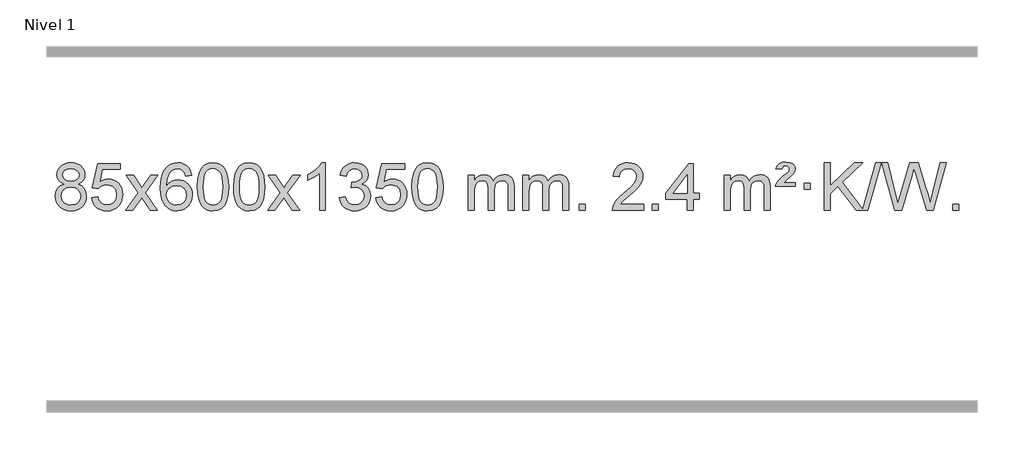
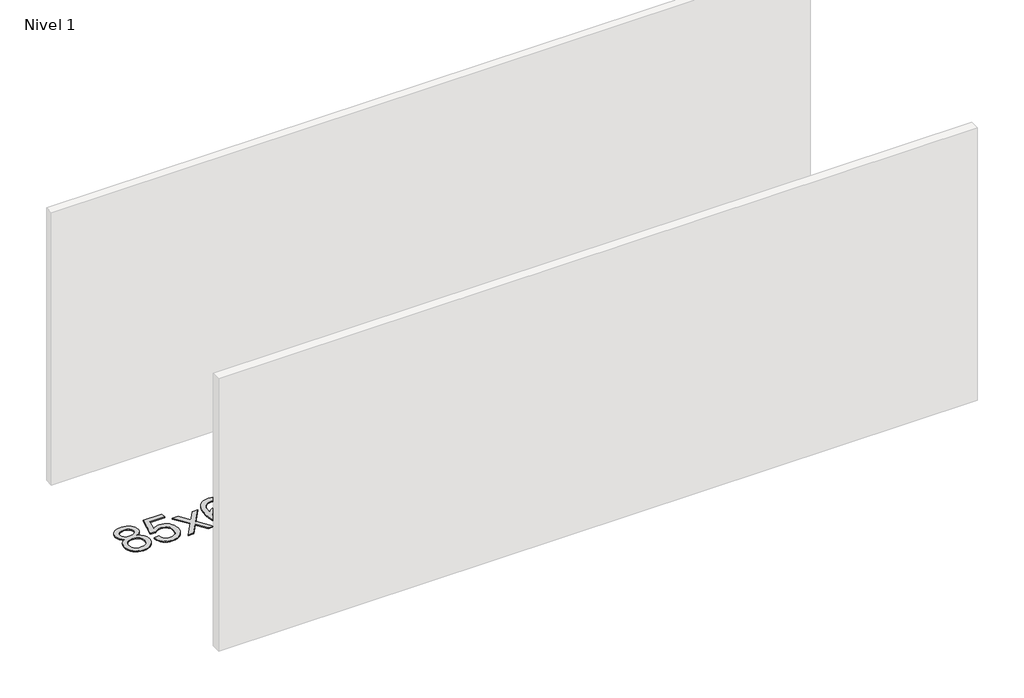
# One storey, part 5 of 9: 1 proxy.
"""IFC4 building model written with IfcOpenShell, lengths in millimetres."""

import ifcopenshell
import ifcopenshell.guid

model = None  # the IFC model being written
_history = None  # IfcOwnerHistory: only IFC2X3 demands one
_inside = {}  # id of a spatial element -> (the spatial element, [elements in it])
_under = {}  # id of a project, library or spatial element -> (it, [spatial elements below it])
_declared = {}  # id of a project -> (the project, [libraries it declares])
_typed = {}  # id of a type object -> (the type object, [elements of that type])
_made_of = {}  # id of a material, layer set ... -> (it, [elements and type objects made of it])


def new_model(schema):
    """Start an empty IFC model of exactly this schema.

    Asked for "IFC4X3", IfcOpenShell would pick the latest addendum, in which some entities
    have other attributes; the version numbers below select the first issue.
    IFC2X3 requires an IfcOwnerHistory on every rooted entity: one is made here for all.
    """
    global model, _history
    if schema == "IFC4X3":
        model = ifcopenshell.file(schema_version=(4, 3, 0, 0))
    else:
        model = ifcopenshell.file(schema=schema)
    _inside.clear()
    _under.clear()
    _declared.clear()
    _typed.clear()
    _made_of.clear()
    _history = None
    if model.schema == "IFC2X3":
        org = make("IfcOrganization", Name="unknown")
        user = make(
            "IfcPersonAndOrganization",
            ThePerson=make("IfcPerson", FamilyName="unknown"),
            TheOrganization=org,
        )
        app = make(
            "IfcApplication",
            ApplicationDeveloper=org,
            Version="unknown",
            ApplicationFullName="unknown",
            ApplicationIdentifier="unknown",
        )
        _history = make(
            "IfcOwnerHistory",
            OwningUser=user,
            OwningApplication=app,
            ChangeAction="ADDED",
            CreationDate=0,
        )
    return model


def make(cls, **values):
    """One entity of the class cls with the attributes given. An attribute that is None is left unset."""
    return model.create_entity(
        cls, **{name: value for name, value in values.items() if value is not None}
    )


def rooted(cls, **values):
    """An entity with a GlobalId (a new one), such as an element, a storey or a relation."""
    return make(cls, GlobalId=ifcopenshell.guid.new(), OwnerHistory=_history, **values)


def si_unit(unit_type, name, prefix=None):
    """IfcSIUnit, for example si_unit("LENGTHUNIT", "METRE", prefix="MILLI")."""
    return make("IfcSIUnit", UnitType=unit_type, Prefix=prefix, Name=name)


def assignment(units):
    """IfcUnitAssignment: the units of a project."""
    return None if units is None else make("IfcUnitAssignment", Units=units)


def point(xyz):
    """IfcCartesianPoint."""
    return None if xyz is None else make("IfcCartesianPoint", Coordinates=xyz)


def direction(xyz):
    """IfcDirection."""
    return None if xyz is None else make("IfcDirection", DirectionRatios=xyz)


def frame(location, z_axis=None, x_axis=None):
    """IfcAxis2Placement3D, a coordinate frame: its origin and axes. An axis left out is left unset."""
    return make(
        "IfcAxis2Placement3D",
        Location=point(location),
        Axis=direction(z_axis),
        RefDirection=direction(x_axis),
    )


def origin():
    """The frame at (0, 0, 0) with its axes left unset."""
    return frame((0.0, 0.0, 0.0))


def origin_with_axes():
    """The frame at (0, 0, 0) with the z axis (0, 0, 1) and the x axis (1, 0, 0) written out."""
    return frame((0.0, 0.0, 0.0), z_axis=(0.0, 0.0, 1.0), x_axis=(1.0, 0.0, 0.0))


def place(relative_to, where):
    """IfcLocalPlacement: puts the frame where relative to a parent placement (None: the world)."""
    return make(
        "IfcLocalPlacement", PlacementRelTo=relative_to, RelativePlacement=where
    )


def context(
    kind, dimensions, precision=None, world=None, true_north=None, identifier=None
):
    """IfcGeometricRepresentationContext, for example the 3D "Model" context."""
    return make(
        "IfcGeometricRepresentationContext",
        ContextIdentifier=identifier,
        ContextType=kind,
        CoordinateSpaceDimension=dimensions,
        Precision=precision,
        WorldCoordinateSystem=world,
        TrueNorth=true_north,
    )


def project(units=None, contexts=None):
    """IfcProject with its units and contexts."""
    return rooted(
        "IfcProject",
        Name="project",
        RepresentationContexts=contexts,
        UnitsInContext=assignment(units),
    )


def spatial(cls, under=None, at=None, **own):
    """A site, building, storey or space (cls), placed at a placement, below another one or the project."""
    s = rooted(cls, ObjectPlacement=at, **own)
    if under is not None:
        _under.setdefault(under.id(), (under, []))[1].append(s)
    return s


def polyline(points):
    """IfcPolyline through the points."""
    return make("IfcPolyline", Points=[point(p) for p in points])


def outline(outer, holes=None, kind="AREA"):
    """IfcArbitraryClosedProfileDef: a profile drawn as a closed curve; with holes, ...WithVoids."""
    if holes is None:
        return make("IfcArbitraryClosedProfileDef", ProfileType=kind, OuterCurve=outer)
    return make(
        "IfcArbitraryProfileDefWithVoids",
        ProfileType=kind,
        OuterCurve=outer,
        InnerCurves=holes,
    )


def extrude(swept, where, along, depth):
    """IfcExtrudedAreaSolid: the profile swept, set in the frame where, extruded along a direction by depth."""
    return make(
        "IfcExtrudedAreaSolid",
        SweptArea=swept,
        Position=where,
        ExtrudedDirection=direction(along),
        Depth=depth,
    )


def shape(context_of_items, identifier, shape_type, items):
    """IfcShapeRepresentation: the items that make up one representation, for example the "Body"."""
    return make(
        "IfcShapeRepresentation",
        ContextOfItems=context_of_items,
        RepresentationIdentifier=identifier,
        RepresentationType=shape_type,
        Items=items,
    )


def made_of(thing, what):
    """Note that an element or type object is made of a material, layer set ...; save() writes the relation."""
    if what is not None:
        _made_of.setdefault(what.id(), (what, []))[1].append(thing)
    return thing


def element(
    cls,
    number,
    at=None,
    inside=None,
    cuts=None,
    type_object=None,
    material=None,
    context=None,
    identifier="Body",
    shape_type=None,
    held_by="IfcProductDefinitionShape",
    body=None,
    shapes=None,
    **own,
):
    """One element of the class cls, such as IfcWall. Its Tag is "e" and its number.

    at: its placement. inside: the storey or other place that contains it. cuts: it is an
    opening in that element (IfcRelVoidsElement). A single representation is given by context,
    identifier, shape_type and body (its items); several are given by shapes. held_by: the class
    of the entity that holds the representations. save() writes the other relations.
    """
    e = rooted(cls, Tag="e%d" % number, ObjectPlacement=at, **own)
    if body is not None:
        shapes = [shape(context, identifier, shape_type, body)]
    if shapes is not None:
        e.Representation = make(held_by, Representations=shapes)
    if inside is not None:
        _inside.setdefault(inside.id(), (inside, []))[1].append(e)
    if cuts is not None:
        rooted(
            "IfcRelVoidsElement", RelatingBuildingElement=cuts, RelatedOpeningElement=e
        )
    if type_object is not None:
        _typed.setdefault(type_object.id(), (type_object, []))[1].append(e)
    return made_of(e, material)


def aggregate(whole, parts):
    """IfcRelAggregates: a whole, such as a stair, and the parts it consists of."""
    return rooted("IfcRelAggregates", RelatingObject=whole, RelatedObjects=parts)


def save(model, path):
    """Write the relations noted so far, then the file.

    IfcRelAggregates (storeys below a building ...), IfcRelContainedInSpatialStructure (elements
    in a storey), IfcRelDefinesByType, IfcRelAssociatesMaterial and IfcRelDeclares: one each for
    every whole, place, type object, material and project.
    """
    for whole, parts in _under.values():
        aggregate(whole, parts)
    for where, things in _inside.values():
        rooted(
            "IfcRelContainedInSpatialStructure",
            RelatedElements=things,
            RelatingStructure=where,
        )
    for kind, things in _typed.values():
        rooted("IfcRelDefinesByType", RelatedObjects=things, RelatingType=kind)
    for what, things in _made_of.values():
        rooted("IfcRelAssociatesMaterial", RelatedObjects=things, RelatingMaterial=what)
    for by, libraries in _declared.values():
        rooted("IfcRelDeclares", RelatingContext=by, RelatedDefinitions=libraries)
    model.write(path)


model = new_model("IFC4")

# Units and contexts
model_context = context("Model", 3, world=origin())
ifc_project = project(units=[si_unit("LENGTHUNIT", "METRE", prefix="MILLI")], contexts=[model_context])

# Site, building, storey
site = spatial("IfcSite", under=ifc_project)
building = spatial("IfcBuilding", under=site)
storey = spatial("IfcBuildingStorey", under=building, Name="Nivel 1", Elevation=0.0)

# Proxy
placement = place(None, origin())
element("IfcBuildingElementProxy", 1, Name="Texto de modelo 1", ObjectType="Texto de modelo 1", at=placement, inside=storey, context=model_context, shape_type="SweptSolid", body=[
    extrude(outline(polyline([(-6382.9857189, -9178.2616447), (-6409.8778927, -9165.0178929), (-6428.7502391, -9147.0652515), (-6439.8970635, -9124.7716026), (-6443.6126717, -9098.5048281), (-6441.5893207, -9078.0199324), (-6435.5192678, -9059.2395565), (-6425.4025129, -9042.1637006), (-6411.2390561, -9026.7923645), (-6393.709479, -9014.088173), (-6373.4943634, -9005.0137504), (-6350.5937092, -8999.5690969), (-6325.0075164, -8997.7542124), (-6299.2986964, -8999.6120165), (-6276.2263639, -9005.1854287), (-6255.7905191, -9014.4744491), (-6237.9911619, -9027.4790776), (-6223.5701876, -9043.1508506), (-6213.2694918, -9060.4413044), (-6207.0890743, -9079.3504389), (-6205.0289351, -9099.8782543), (-6208.6954923, -9125.2989001), (-6219.695164, -9147.2124043), (-6238.1505774, -9165.0546811), (-6264.1843599, -9178.2616447), (-6233.2700096, -9194.1909351), (-6210.7678942, -9217.6495436), (-6197.0458958, -9247.5092989), (-6192.4718963, -9282.6420295), (-6194.740502, -9307.6947933), (-6201.5463189, -9330.6628926), (-6212.8893471, -9351.5463272), (-6228.7695865, -9370.3450971), (-6248.3531714, -9385.88198), (-6270.8062358, -9396.9797536), (-6296.1287798, -9403.6384177), (-6324.3208034, -9405.8579724), (-6352.512827, -9403.6292206), (-6377.835371, -9396.9429654), (-6400.2884354, -9385.7992066), (-6419.8720203, -9370.1979443), (-6435.7522597, -9351.26735), (-6447.0952879, -9330.135595), (-6453.9011048, -9306.8026795), (-6456.1697105, -9281.2686033), (-6451.41177, -9244.7747094), (-6437.1379486, -9214.7555386), (-6414.0840102, -9192.2411605), (-6382.9857189, -9178.2616447)]), holes=[polyline([(-6393.3845166, -9099.9763561), (-6388.9331445, -9121.902123), (-6375.5790281, -9139.413306), (-6353.7145748, -9150.8912243), (-6323.7321922, -9154.717197), (-6294.4487854, -9150.9157497), (-6272.9154259, -9139.5114079), (-6259.6716741, -9122.5888361), (-6255.2570902, -9102.232699), (-6259.8188269, -9081.1040098), (-6273.5040371, -9063.629615), (-6295.3317022, -9051.8941794), (-6324.3208034, -9047.9823675), (-6353.4938456, -9051.8083402), (-6375.2847225, -9063.2862585), (-6388.8595681, -9080.1107284), (-6393.3845166, -9099.9763561)]), polyline([(-6405.9415554, -9279.5027698), (-6403.844628, -9298.7184726), (-6397.5538459, -9317.3210389), (-6385.9410376, -9333.5446349), (-6367.8780316, -9345.623427), (-6346.2465703, -9353.1282197), (-6323.9283959, -9355.6298173), (-6289.7398958, -9350.3691048), (-6275.8462192, -9343.7932141), (-6264.086258, -9334.5869672), (-6248.0466031, -9310.6869002), (-6242.7000514, -9281.0723996), (-6248.2182813, -9250.9551269), (-6264.7729711, -9226.5277625), (-6276.8517633, -9217.0854579), (-6291.0152201, -9210.3409547), (-6325.5961276, -9204.9453521), (-6359.3063811, -9210.2673783), (-6373.043708, -9216.919911), (-6384.7025015, -9226.2334569), (-6400.6317919, -9250.1948375), (-6405.9415554, -9279.5027698)])]), origin_with_axes(), (0.0, 0.0, 1.0), 10.0),
    extrude(outline(polyline([(-6148.5222606, -9292.8446235), (-6098.2941056, -9286.5661041), (-6089.0725302, -9316.7201649), (-6072.9838243, -9338.3148381), (-6050.1015642, -9351.3010725), (-6020.4993263, -9355.6298173), (-6001.3694626, -9354.1245668), (-5984.4959417, -9349.6088153), (-5969.8787638, -9342.0825628), (-5957.5179287, -9331.5458094), (-5947.6893481, -9318.519721), (-5940.6689334, -9303.5254641), (-5935.0526016, -9267.6324441), (-5940.3133141, -9233.8363514), (-5946.8892048, -9219.9181493), (-5956.0954517, -9207.9865099), (-5967.9627117, -9198.4154467), (-5982.5216417, -9191.5789729), (-6019.7145114, -9186.1097939), (-6044.0805622, -9188.2925604), (-6063.8112999, -9194.8408599), (-6079.568912, -9204.8717757), (-6092.0155862, -9217.5023908), (-6142.2437412, -9211.2238715), (-6098.2941056, -9004.0327318), (-5903.6600046, -9004.0327318), (-5903.6600046, -9054.2608869), (-6057.6799333, -9054.2608869), (-6079.2623437, -9164.919791), (-6061.5365629, -9152.2155994), (-6043.3815864, -9143.1411769), (-6024.7974143, -9137.6965234), (-6005.7840465, -9135.8816388), (-5981.3198938, -9138.1318504), (-5958.8423039, -9144.882485), (-5938.3512768, -9156.1335427), (-5919.8468124, -9171.8850234), (-5904.5245273, -9191.1743027), (-5893.580038, -9213.038756), (-5887.0133444, -9237.4783832), (-5884.8244465, -9264.4931844), (-5886.7926152, -9290.5147042), (-5892.6971212, -9314.7213394), (-5902.5379646, -9337.1130902), (-5916.3151453, -9357.6899565), (-5937.1863171, -9378.7634634), (-5961.5401052, -9393.8159684), (-5989.3765095, -9402.8474714), (-6020.69553, -9405.8579724), (-6046.6158823, -9403.9235262), (-6070.0285056, -9398.1201877), (-6090.9334, -9388.447957), (-6109.3305654, -9374.9068338), (-6124.6375221, -9358.1712688), (-6136.2717902, -9338.915712), (-6144.2333697, -9317.1401636), (-6148.5222606, -9292.8446235)])), origin_with_axes(), (0.0, 0.0, 1.0), 10.0),
    extrude(outline(polyline([(-5859.7103689, -9399.579453), (-5752.3869282, -9251.1513307), (-5853.4318496, -9104.4890419), (-5793.1973042, -9104.4890419), (-5744.4406771, -9175.2204869), (-5721.5829425, -9208.4770192), (-5701.7663657, -9181.2047007), (-5646.2407099, -9104.4890419), (-5585.8099608, -9104.4890419), (-5691.9561791, -9251.2494325), (-5589.7340354, -9399.579453), (-5650.0666826, -9399.579453), (-5711.6746541, -9310.3067555), (-5722.8582667, -9293.923744), (-5799.2796199, -9399.579453), (-5859.7103689, -9399.579453)])), origin_with_axes(), (0.0, 0.0, 1.0), 10.0),
    extrude(outline(polyline([(-5300.9221437, -9104.4890419), (-5351.1502988, -9110.7675613), (-5359.2437027, -9085.874213), (-5370.1820607, -9068.8780648), (-5392.9662189, -9053.2062918), (-5420.5083176, -9047.9823675), (-5443.8565616, -9051.0235253), (-5465.8313794, -9060.1469988), (-5484.7037258, -9079.3627017), (-5500.1179814, -9105.8134171), (-5510.5290419, -9143.227016), (-5514.3918028, -9195.3313693), (-5494.2441322, -9171.8237098), (-5470.0988106, -9155.2567573), (-5443.3047386, -9145.434308), (-5415.2108169, -9142.1601582), (-5391.077758, -9144.398107), (-5368.8086346, -9151.1119534), (-5348.4034466, -9162.3016975), (-5329.862194, -9177.9673391), (-5314.4540698, -9197.1769106), (-5303.4482668, -9218.9984443), (-5296.844785, -9243.4319401), (-5294.6436244, -9270.4773982), (-5298.7884282, -9306.4439945), (-5311.2228396, -9339.786366), (-5330.9167891, -9368.0642287), (-5356.840207, -9388.8372987), (-5387.815871, -9401.602804), (-5422.6665587, -9405.8579724), (-5452.6090874, -9403.0375437), (-5479.6514797, -9394.5762579), (-5503.7937357, -9380.4741147), (-5525.0358552, -9360.7311143), (-5542.3539001, -9334.5133908), (-5554.7239322, -9300.9870783), (-5562.1459515, -9260.1521768), (-5564.6199579, -9212.0086864), (-5561.8731057, -9158.0342663), (-5553.632549, -9111.9693092), (-5539.8982878, -9073.8138149), (-5520.6703222, -9043.5677835), (-5499.8298072, -9023.5243462), (-5475.6660915, -9009.2076052), (-5448.179175, -9000.6175606), (-5417.3690579, -8997.7542124), (-5394.2354118, -8999.5261773), (-5373.2967949, -9004.8420722), (-5354.5532073, -9013.7018969), (-5338.0046489, -9026.1056515), (-5324.0987094, -9041.6364031), (-5313.2829788, -9059.8772186), (-5305.5574569, -9080.8280983), (-5300.9221437, -9104.4890419)]), holes=[polyline([(-5514.3918028, -9269.6925832), (-5511.485535, -9291.9494439), (-5502.7667318, -9313.2007605), (-5489.2286743, -9331.472233), (-5471.8646442, -9344.7895612), (-5450.9076332, -9352.9197533), (-5426.5906333, -9355.6298173), (-5393.4444655, -9350.0134855), (-5379.5293291, -9342.9930708), (-5367.3861575, -9333.1644901), (-5357.5361171, -9320.9262824), (-5350.500374, -9306.6769865), (-5344.8717794, -9272.1451299), (-5350.4267976, -9238.9989621), (-5357.3705702, -9225.3781312), (-5367.0918519, -9213.725469), (-5379.2718117, -9204.3904634), (-5393.5916183, -9197.7226022), (-5428.6507725, -9192.3883133), (-5461.7478893, -9197.7226022), (-5489.4248781, -9213.725469), (-5500.3479076, -9225.2248471), (-5508.1500716, -9238.3858254), (-5512.83137, -9253.2084042), (-5514.3918028, -9269.6925832)])]), origin_with_axes(), (0.0, 0.0, 1.0), 10.0),
    extrude(outline(polyline([(-5250.6939887, -9201.9041943), (-5247.002906, -9137.5861588), (-5235.9296579, -9086.2911459), (-5217.5846091, -9047.2343407), (-5205.7265461, -9032.0009605), (-5192.0781241, -9019.6309284), (-5176.5933578, -9010.0598651), (-5159.2262619, -9003.2233914), (-5118.8450816, -8997.7542124), (-5087.8939431, -9000.991574), (-5060.1801661, -9010.7036586), (-5037.0036004, -9026.5103217), (-5019.6640957, -9048.0314184), (-5006.5674967, -9075.0830078), (-4996.119648, -9107.4811488), (-4989.2770429, -9148.6226186), (-4986.9961745, -9201.9041943), (-4990.650469, -9265.8543477), (-5001.6133525, -9317.0267333), (-5019.8480367, -9356.1203266), (-5031.6785085, -9371.3996922), (-5045.3177335, -9383.8341036), (-5060.8208939, -9393.4695462), (-5078.2431721, -9400.3520052), (-5118.8450816, -9405.8579724), (-5146.5098076, -9403.4667394), (-5171.035274, -9396.2930405), (-5192.4214806, -9384.3368757), (-5210.6684276, -9367.5982449), (-5228.1796106, -9337.3399508), (-5240.6875984, -9299.6381776), (-5248.1923911, -9254.4929255), (-5250.6939887, -9201.9041943)]), holes=[polyline([(-5200.4658336, -9201.8060924), (-5198.9943056, -9245.4706195), (-5194.5797217, -9280.8148822), (-5187.2220818, -9307.8388804), (-5176.9213859, -9326.5426142), (-5164.462449, -9339.2682656), (-5150.630086, -9348.3580165), (-5135.4242968, -9353.8118671), (-5118.8450816, -9355.6298173), (-5102.2658663, -9353.8057357), (-5087.0600772, -9348.3334911), (-5073.2277142, -9339.2130833), (-5060.7687773, -9326.4445124), (-5050.4680814, -9307.7101217), (-5043.1104415, -9280.6922549), (-5038.6958576, -9245.3909118), (-5037.2243296, -9201.8060924), (-5038.6468066, -9159.2973278), (-5042.9142378, -9124.5753989), (-5050.026623, -9097.6403055), (-5059.9839624, -9078.4920476), (-5072.2344328, -9065.1440625), (-5086.2262114, -9055.6097875), (-5101.959298, -9049.8892225), (-5119.4336928, -9047.9823675), (-5135.9270689, -9049.6623619), (-5150.8753406, -9054.7023452), (-5164.278508, -9063.1023175), (-5176.136571, -9074.8622786), (-5186.7806234, -9095.708925), (-5194.3835179, -9123.8151094), (-5198.9452547, -9159.1808319), (-5200.4658336, -9201.8060924)])]), origin_with_axes(), (0.0, 0.0, 1.0), 10.0),
    extrude(outline(polyline([(-4943.0465388, -9201.9041943), (-4939.3554561, -9137.5861588), (-4928.2822081, -9086.2911459), (-4909.9371593, -9047.2343407), (-4898.0790963, -9032.0009605), (-4884.4306743, -9019.6309284), (-4868.945908, -9010.0598651), (-4851.5788121, -9003.2233914), (-4811.1976318, -8997.7542124), (-4780.2464932, -9000.991574), (-4752.5327163, -9010.7036586), (-4729.3561506, -9026.5103217), (-4712.0166459, -9048.0314184), (-4698.9200468, -9075.0830078), (-4688.4721982, -9107.4811488), (-4681.6295931, -9148.6226186), (-4679.3487247, -9201.9041943), (-4683.0030192, -9265.8543477), (-4693.9659026, -9317.0267333), (-4712.2005869, -9356.1203266), (-4724.0310587, -9371.3996922), (-4737.6702837, -9383.8341036), (-4753.1734441, -9393.4695462), (-4770.5957222, -9400.3520052), (-4811.1976318, -9405.8579724), (-4838.8623578, -9403.4667394), (-4863.3878241, -9396.2930405), (-4884.7740308, -9384.3368757), (-4903.0209778, -9367.5982449), (-4920.5321607, -9337.3399508), (-4933.0401486, -9299.6381776), (-4940.5449413, -9254.4929255), (-4943.0465388, -9201.9041943)]), holes=[polyline([(-4892.8183838, -9201.8060924), (-4891.3468558, -9245.4706195), (-4886.9322718, -9280.8148822), (-4879.5746319, -9307.8388804), (-4869.2739361, -9326.5426142), (-4856.8149992, -9339.2682656), (-4842.9826361, -9348.3580165), (-4827.776847, -9353.8118671), (-4811.1976318, -9355.6298173), (-4794.6184165, -9353.8057357), (-4779.4126274, -9348.3334911), (-4765.5802644, -9339.2130833), (-4753.1213275, -9326.4445124), (-4742.8206316, -9307.7101217), (-4735.4629917, -9280.6922549), (-4731.0484077, -9245.3909118), (-4729.5768798, -9201.8060924), (-4730.9993568, -9159.2973278), (-4735.266788, -9124.5753989), (-4742.3791732, -9097.6403055), (-4752.3365125, -9078.4920476), (-4764.586983, -9065.1440625), (-4778.5787615, -9055.6097875), (-4794.3118482, -9049.8892225), (-4811.786243, -9047.9823675), (-4828.2796191, -9049.6623619), (-4843.2278908, -9054.7023452), (-4856.6310582, -9063.1023175), (-4868.4891211, -9074.8622786), (-4879.1331735, -9095.708925), (-4886.7360681, -9123.8151094), (-4891.2978048, -9159.1808319), (-4892.8183838, -9201.8060924)])]), origin_with_axes(), (0.0, 0.0, 1.0), 10.0),
    extrude(outline(polyline([(-4654.2346472, -9399.579453), (-4546.9112064, -9251.1513307), (-4647.9561278, -9104.4890419), (-4587.7215824, -9104.4890419), (-4538.9649553, -9175.2204869), (-4516.1072207, -9208.4770192), (-4496.2906439, -9181.2047007), (-4440.7649881, -9104.4890419), (-4380.334239, -9104.4890419), (-4486.4804574, -9251.2494325), (-4384.2583136, -9399.579453), (-4444.5909608, -9399.579453), (-4506.1989323, -9310.3067555), (-4517.3825449, -9293.923744), (-4593.8038981, -9399.579453), (-4654.2346472, -9399.579453)])), origin_with_axes(), (0.0, 0.0, 1.0), 10.0),
    extrude(outline(polyline([(-4164.5101352, -9399.579453), (-4214.7382902, -9399.579453), (-4214.7382902, -9086.4382987), (-4235.707564, -9103.3976587), (-4262.317695, -9120.3324932), (-4315.1946004, -9145.6918254), (-4315.1946004, -9098.2105225), (-4275.7453878, -9076.7507395), (-4241.5691504, -9051.219729), (-4214.6279257, -9024.0700378), (-4196.8837508, -8997.7542124), (-4164.5101352, -8997.7542124), (-4164.5101352, -9399.579453)])), origin_with_axes(), (0.0, 0.0, 1.0), 10.0),
    extrude(outline(polyline([(-4045.2182669, -9292.8446235), (-3994.9901118, -9286.5661041), (-3983.7451855, -9318.1303793), (-3967.2763348, -9339.4430095), (-3944.7742195, -9351.5831154), (-3915.429499, -9355.6298173), (-3880.9957442, -9350.0625364), (-3866.7219228, -9343.1034354), (-3854.4101387, -9333.3606939), (-3837.4139905, -9308.4428201), (-3831.7486078, -9278.2274455), (-3837.3649396, -9249.5449126), (-3854.213935, -9226.2825078), (-3879.72042, -9210.8682522), (-3911.3092206, -9205.730167), (-3946.5277903, -9211.2238715), (-3940.935984, -9160.9957164), (-3932.891631, -9161.5843276), (-3902.7988838, -9157.979084), (-3875.8944472, -9147.1633534), (-3864.8211992, -9138.9841103), (-3856.9117363, -9128.8673555), (-3852.1660585, -9116.8130888), (-3850.584166, -9102.8213102), (-3855.1704282, -9081.1285352), (-3868.9292148, -9063.5315131), (-3889.923014, -9051.8696539), (-3916.2143139, -9047.9823675), (-3942.5546648, -9051.9064421), (-3964.0880242, -9063.6786659), (-3979.8088481, -9083.299039), (-3988.7115924, -9110.7675613), (-4038.9397475, -9104.4890419), (-4032.9861905, -9080.5092672), (-4024.1508913, -9059.3867093), (-4012.4338497, -9041.1213683), (-3997.8350659, -9025.713244), (-3980.8143922, -9013.4811677), (-3961.8316813, -9004.7439703), (-3940.886933, -8999.5016519), (-3917.9801475, -8997.7542124), (-3886.4036096, -9001.2000404), (-3857.4022456, -9011.5375245), (-3832.9503557, -9027.8469596), (-3815.0222398, -9049.2086408), (-3804.0225681, -9073.8199463), (-3800.3560109, -9099.8782543), (-3803.8386271, -9124.1584659), (-3814.2864758, -9146.1823347), (-3831.5524041, -9164.9443165), (-3855.4892592, -9179.4388671), (-3824.0476114, -9192.1430586), (-3800.7484183, -9213.77452), (-3786.3274441, -9243.1560286), (-3781.5204527, -9279.1103623), (-3783.9239484, -9304.5923218), (-3791.1344355, -9328.0631931), (-3803.151914, -9349.5229762), (-3819.976384, -9368.971671), (-3840.4735425, -9385.1094278), (-3863.5090867, -9396.636397), (-3889.0830168, -9403.5525785), (-3917.1953326, -9405.8579724), (-3942.6037157, -9403.8898037), (-3965.7557559, -9397.9852977), (-3986.6514532, -9388.1444543), (-4005.2908077, -9374.3672736), (-4020.9196611, -9357.4630959), (-4032.7838554, -9338.2412617), (-4040.8833907, -9316.7017708), (-4045.2182669, -9292.8446235)])), origin_with_axes(), (0.0, 0.0, 1.0), 10.0),
    extrude(outline(polyline([(-3737.570817, -9292.8446235), (-3687.342662, -9286.5661041), (-3678.1210866, -9316.7201649), (-3662.0323807, -9338.3148381), (-3639.1501206, -9351.3010725), (-3609.5478827, -9355.6298173), (-3590.418019, -9354.1245668), (-3573.5444981, -9349.6088153), (-3558.9273202, -9342.0825628), (-3546.5664851, -9331.5458094), (-3536.7379045, -9318.519721), (-3529.7174898, -9303.5254641), (-3524.101158, -9267.6324441), (-3529.3618705, -9233.8363514), (-3535.9377612, -9219.9181493), (-3545.1440081, -9207.9865099), (-3557.0112681, -9198.4154467), (-3571.5701981, -9191.5789729), (-3608.7630678, -9186.1097939), (-3633.1291186, -9188.2925604), (-3652.8598563, -9194.8408599), (-3668.6174684, -9204.8717757), (-3681.0641426, -9217.5023908), (-3731.2922977, -9211.2238715), (-3687.342662, -9004.0327318), (-3492.708561, -9004.0327318), (-3492.708561, -9054.2608869), (-3646.7284897, -9054.2608869), (-3668.3109001, -9164.919791), (-3650.5851193, -9152.2155994), (-3632.4301428, -9143.1411769), (-3613.8459707, -9137.6965234), (-3594.8326029, -9135.8816388), (-3570.3684502, -9138.1318504), (-3547.8908603, -9144.882485), (-3527.3998332, -9156.1335427), (-3508.8953688, -9171.8850234), (-3493.5730837, -9191.1743027), (-3482.6285944, -9213.038756), (-3476.0619008, -9237.4783832), (-3473.8730029, -9264.4931844), (-3475.8411716, -9290.5147042), (-3481.7456776, -9314.7213394), (-3491.586521, -9337.1130902), (-3505.3637017, -9357.6899565), (-3526.2348735, -9378.7634634), (-3550.5886616, -9393.8159684), (-3578.4250659, -9402.8474714), (-3609.7440864, -9405.8579724), (-3635.6644387, -9403.9235262), (-3659.077062, -9398.1201877), (-3679.9819564, -9388.447957), (-3698.3791218, -9374.9068338), (-3713.6860785, -9358.1712688), (-3725.3203466, -9338.915712), (-3733.2819261, -9317.1401636), (-3737.570817, -9292.8446235)])), origin_with_axes(), (0.0, 0.0, 1.0), 10.0),
    extrude(outline(polyline([(-3429.9233672, -9201.9041943), (-3426.2322845, -9137.5861588), (-3415.1590365, -9086.2911459), (-3396.8139876, -9047.2343407), (-3384.9559247, -9032.0009605), (-3371.3075026, -9019.6309284), (-3355.8227363, -9010.0598651), (-3338.4556405, -9003.2233914), (-3298.0744601, -8997.7542124), (-3267.1233216, -9000.991574), (-3239.4095446, -9010.7036586), (-3216.2329789, -9026.5103217), (-3198.8934742, -9048.0314184), (-3185.7968752, -9075.0830078), (-3175.3490265, -9107.4811488), (-3168.5064214, -9148.6226186), (-3166.2255531, -9201.9041943), (-3169.8798475, -9265.8543477), (-3180.842731, -9317.0267333), (-3199.0774152, -9356.1203266), (-3210.9078871, -9371.3996922), (-3224.547112, -9383.8341036), (-3240.0502724, -9393.4695462), (-3257.4725506, -9400.3520052), (-3298.0744601, -9405.8579724), (-3325.7391862, -9403.4667394), (-3350.2646525, -9396.2930405), (-3371.6508592, -9384.3368757), (-3389.8978061, -9367.5982449), (-3407.4089891, -9337.3399508), (-3419.9169769, -9299.6381776), (-3427.4217696, -9254.4929255), (-3429.9233672, -9201.9041943)]), holes=[polyline([(-3379.6952121, -9201.8060924), (-3378.2236842, -9245.4706195), (-3373.8091002, -9280.8148822), (-3366.4514603, -9307.8388804), (-3356.1507644, -9326.5426142), (-3343.6918275, -9339.2682656), (-3329.8594645, -9348.3580165), (-3314.6536754, -9353.8118671), (-3298.0744601, -9355.6298173), (-3281.4952449, -9353.8057357), (-3266.2894558, -9348.3334911), (-3252.4570927, -9339.2130833), (-3239.9981558, -9326.4445124), (-3229.69746, -9307.7101217), (-3222.3398201, -9280.6922549), (-3217.9252361, -9245.3909118), (-3216.4537081, -9201.8060924), (-3217.8761852, -9159.2973278), (-3222.1436163, -9124.5753989), (-3229.2560016, -9097.6403055), (-3239.2133409, -9078.4920476), (-3251.4638113, -9065.1440625), (-3265.4555899, -9055.6097875), (-3281.1886766, -9049.8892225), (-3298.6630713, -9047.9823675), (-3315.1564474, -9049.6623619), (-3330.1047192, -9054.7023452), (-3343.5078865, -9063.1023175), (-3355.3659495, -9074.8622786), (-3366.0100019, -9095.708925), (-3373.6128965, -9123.8151094), (-3378.1746332, -9159.1808319), (-3379.6952121, -9201.8060924)])]), origin_with_axes(), (0.0, 0.0, 1.0), 10.0),
    extrude(outline(polyline([(-2952.755894, -9399.579453), (-2952.755894, -9104.4890419), (-2902.5277389, -9104.4890419), (-2902.5277389, -9153.0494653), (-2887.4200517, -9130.7435537), (-2867.9958823, -9113.2691589), (-2844.9174185, -9101.9751816), (-2818.8468478, -9098.2105225), (-2790.9123416, -9102.048758), (-2768.5205908, -9113.5634645), (-2751.7942228, -9131.9943524), (-2740.8558648, -9156.5811324), (-2722.5476041, -9131.0439906), (-2701.6641696, -9112.803175), (-2678.205561, -9101.8586857), (-2652.1717785, -9098.2105225), (-2632.0639617, -9099.7280358), (-2614.414823, -9104.2805755), (-2599.2243623, -9111.8681416), (-2586.4925796, -9122.4907342), (-2576.4279413, -9136.2709806), (-2569.238914, -9153.3315082), (-2564.9254976, -9173.6723168), (-2563.4876922, -9197.2934066), (-2563.4876922, -9399.579453), (-2613.7158472, -9399.579453), (-2613.7158472, -9218.875817), (-2614.8808069, -9193.8230531), (-2618.3756858, -9176.9372695), (-2624.9239854, -9165.3735121), (-2635.2492067, -9156.2868268), (-2648.5297467, -9150.4007149), (-2663.9440023, -9148.4386776), (-2691.1550072, -9153.4663982), (-2713.3382915, -9168.54956), (-2721.9436645, -9180.1194488), (-2728.0903595, -9194.7182326), (-2733.0077155, -9233.0024856), (-2733.0077155, -9399.579453), (-2783.2358706, -9399.579453), (-2783.2358706, -9213.2840106), (-2786.1421384, -9184.8835206), (-2794.8609417, -9164.6254854), (-2810.2016209, -9152.4853796), (-2832.9735164, -9148.4386776), (-2852.3241093, -9151.1364789), (-2870.1541233, -9159.2298828), (-2884.8694032, -9172.5226856), (-2894.8757934, -9190.8186835), (-2900.6147525, -9216.2025411), (-2902.5277389, -9250.7589232), (-2902.5277389, -9399.579453), (-2952.755894, -9399.579453)])), origin_with_axes(), (0.0, 0.0, 1.0), 10.0),
    extrude(outline(polyline([(-2488.1454596, -9399.579453), (-2488.1454596, -9104.4890419), (-2437.9173045, -9104.4890419), (-2437.9173045, -9153.0494653), (-2422.8096172, -9130.7435537), (-2403.3854479, -9113.2691589), (-2380.306984, -9101.9751816), (-2354.2364133, -9098.2105225), (-2326.3019071, -9102.048758), (-2303.9101564, -9113.5634645), (-2287.1837883, -9131.9943524), (-2276.2454303, -9156.5811324), (-2257.9371697, -9131.0439906), (-2237.0537351, -9112.803175), (-2213.5951266, -9101.8586857), (-2187.561344, -9098.2105225), (-2167.4535273, -9099.7280358), (-2149.8043886, -9104.2805755), (-2134.6139279, -9111.8681416), (-2121.8821452, -9122.4907342), (-2111.8175069, -9136.2709806), (-2104.6284796, -9153.3315082), (-2100.3150632, -9173.6723168), (-2098.8772577, -9197.2934066), (-2098.8772577, -9399.579453), (-2149.1054128, -9399.579453), (-2149.1054128, -9218.875817), (-2150.2703724, -9193.8230531), (-2153.7652514, -9176.9372695), (-2160.3135509, -9165.3735121), (-2170.6387722, -9156.2868268), (-2183.9193123, -9150.4007149), (-2199.3335679, -9148.4386776), (-2226.5445728, -9153.4663982), (-2248.7278571, -9168.54956), (-2257.3332301, -9180.1194488), (-2263.4799251, -9194.7182326), (-2268.3972811, -9233.0024856), (-2268.3972811, -9399.579453), (-2318.6254362, -9399.579453), (-2318.6254362, -9213.2840106), (-2321.5317039, -9184.8835206), (-2330.2505072, -9164.6254854), (-2345.5911864, -9152.4853796), (-2368.3630819, -9148.4386776), (-2387.7136749, -9151.1364789), (-2405.5436889, -9159.2298828), (-2420.2589687, -9172.5226856), (-2430.265359, -9190.8186835), (-2436.0043181, -9216.2025411), (-2437.9173045, -9250.7589232), (-2437.9173045, -9399.579453), (-2488.1454596, -9399.579453)])), origin_with_axes(), (0.0, 0.0, 1.0), 10.0),
    extrude(outline(polyline([(-2010.9779863, -9399.579453), (-2010.9779863, -9349.3512979), (-1960.7498313, -9349.3512979), (-1960.7498313, -9399.579453), (-2010.9779863, -9399.579453)])), origin_with_axes(), (0.0, 0.0, 1.0), 10.0),
    extrude(outline(polyline([(-1464.7467999, -9349.3512979), (-1464.7467999, -9399.579453), (-1728.444614, -9399.579453), (-1727.3409681, -9381.8965918), (-1723.0490115, -9364.9494945), (-1710.6513882, -9337.8856424), (-1692.4902804, -9311.6311307), (-1666.2357687, -9284.1503456), (-1629.5579337, -9253.4076736), (-1575.3689159, -9205.2641831), (-1542.8849357, -9169.7267824), (-1526.6613397, -9140.884834), (-1521.2534744, -9112.8277005), (-1526.3670341, -9087.6768347), (-1541.7077133, -9066.7688747), (-1565.2889492, -9052.6789943), (-1595.124179, -9047.9823675), (-1626.4554623, -9052.5686297), (-1650.7969876, -9066.3274163), (-1666.5055488, -9088.1796068), (-1671.9379396, -9117.0460807), (-1722.1660947, -9110.7675613), (-1717.8465469, -9084.838012), (-1709.9892006, -9062.1826125), (-1698.5940558, -9042.8013627), (-1683.6611125, -9026.6942627), (-1665.5337272, -9014.0329907), (-1644.5552564, -9004.989225), (-1620.7257002, -8999.5629655), (-1594.0450585, -8997.7542124), (-1567.1252935, -8999.7653006), (-1543.1669785, -9005.7985654), (-1522.1701137, -9015.8540066), (-1504.1346989, -9029.9316242), (-1489.6493453, -9046.9890861), (-1479.3026642, -9065.9840598), (-1473.0946555, -9086.9165453), (-1471.0253193, -9109.7865427), (-1473.2571367, -9133.8092369), (-1479.952589, -9157.4149983), (-1491.8351775, -9181.4254299), (-1509.6284033, -9206.6621347), (-1537.9921051, -9236.7916701), (-1581.5861216, -9275.4805933), (-1639.3681203, -9323.795762), (-1662.0296512, -9349.3512979), (-1464.7467999, -9349.3512979)])), origin_with_axes(), (0.0, 0.0, 1.0), 10.0),
    extrude(outline(polyline([(-1389.4045673, -9399.579453), (-1389.4045673, -9349.3512979), (-1339.1764122, -9349.3512979), (-1339.1764122, -9399.579453), (-1389.4045673, -9399.579453)])), origin_with_axes(), (0.0, 0.0, 1.0), 10.0),
    extrude(outline(polyline([(-1094.3141562, -9399.579453), (-1094.3141562, -9305.4016622), (-1276.3912184, -9305.4016622), (-1276.3912184, -9255.1735072), (-1081.7571175, -9004.0327318), (-1044.0860012, -9004.0327318), (-1044.0860012, -9255.1735072), (-993.8578461, -9255.1735072), (-993.8578461, -9305.4016622), (-1044.0860012, -9305.4016622), (-1044.0860012, -9399.579453), (-1094.3141562, -9399.579453)]), holes=[polyline([(-1094.3141562, -9255.1735072), (-1094.3141562, -9099.9763561), (-1214.5870432, -9255.1735072), (-1094.3141562, -9255.1735072)])]), origin_with_axes(), (0.0, 0.0, 1.0), 10.0),
    extrude(outline(polyline([(-780.388187, -9399.579453), (-780.388187, -9104.4890419), (-730.1600319, -9104.4890419), (-730.1600319, -9153.0494653), (-715.0523447, -9130.7435537), (-695.6281753, -9113.2691589), (-672.5497115, -9101.9751816), (-646.4791408, -9098.2105225), (-618.5446346, -9102.048758), (-596.1528838, -9113.5634645), (-579.4265158, -9131.9943524), (-568.4881578, -9156.5811324), (-550.1798972, -9131.0439906), (-529.2964626, -9112.803175), (-505.837854, -9101.8586857), (-479.8040715, -9098.2105225), (-459.6962548, -9099.7280358), (-442.047116, -9104.2805755), (-426.8566553, -9111.8681416), (-414.1248726, -9122.4907342), (-404.0602344, -9136.2709806), (-396.871207, -9153.3315082), (-392.5577906, -9173.6723168), (-391.1199852, -9197.2934066), (-391.1199852, -9399.579453), (-441.3481403, -9399.579453), (-441.3481403, -9218.875817), (-442.5130999, -9193.8230531), (-446.0079789, -9176.9372695), (-452.5562784, -9165.3735121), (-462.8814997, -9156.2868268), (-476.1620397, -9150.4007149), (-491.5762953, -9148.4386776), (-518.7873002, -9153.4663982), (-540.9705845, -9168.54956), (-549.5759576, -9180.1194488), (-555.7226526, -9194.7182326), (-560.6400086, -9233.0024856), (-560.6400086, -9399.579453), (-610.8681636, -9399.579453), (-610.8681636, -9213.2840106), (-613.7744314, -9184.8835206), (-622.4932347, -9164.6254854), (-637.8339139, -9152.4853796), (-660.6058094, -9148.4386776), (-679.9564023, -9151.1364789), (-697.7864164, -9159.2298828), (-712.5016962, -9172.5226856), (-722.5080864, -9190.8186835), (-728.2470456, -9216.2025411), (-730.1600319, -9250.7589232), (-730.1600319, -9399.579453), (-780.388187, -9399.579453)])), origin_with_axes(), (0.0, 0.0, 1.0), 10.0),
    extrude(outline(polyline([(-347.1703495, -9198.6668327), (-343.3443767, -9182.8479069), (-335.0057182, -9166.9799302), (-313.4968842, -9141.8413272), (-281.5402016, -9114.1030247), (-237.3943621, -9076.726214), (-230.2574514, -9065.1992448), (-227.8784812, -9053.3779701), (-229.7669421, -9041.2869152), (-235.4323248, -9031.5012541), (-244.801053, -9025.026531), (-257.7995501, -9022.8682899), (-270.2339616, -9024.4869707), (-279.0876549, -9029.343013), (-285.5133271, -9038.8098431), (-290.663675, -9054.2608869), (-340.8918301, -9047.9823675), (-330.051574, -9022.7701881), (-313.4233078, -9005.2099542), (-289.6581309, -8994.9092583), (-257.4071427, -8991.475693), (-221.6244873, -8995.6082341), (-196.8782917, -9008.0058573), (-182.4573175, -9026.3386434), (-177.6503261, -9048.2766731), (-181.746079, -9071.1834586), (-194.0333376, -9092.8149199), (-214.561153, -9112.6314968), (-251.0305214, -9140.6886303), (-276.6351083, -9167.2742358), (-177.6503261, -9167.2742358), (-177.6503261, -9198.6668327), (-347.1703495, -9198.6668327)])), origin_with_axes(), (0.0, 0.0, 1.0), 10.0),
    extrude(outline(polyline([(-102.3080935, -9223.7809102), (-102.3080935, -9173.5527552), (-52.0799384, -9173.5527552), (-52.0799384, -9223.7809102), (-102.3080935, -9223.7809102)])), origin_with_axes(), (0.0, 0.0, 1.0), 10.0),
    extrude(outline(polyline([(338.5616895, -9399.579453), (185.0322702, -9196.9009991), (117.440085, -9261.4520265), (117.440085, -9399.579453), (67.2119299, -9399.579453), (67.2119299, -8997.7542124), (117.440085, -8997.7542124), (117.440085, -9194.4484525), (323.4540023, -8997.7542124), (393.6949379, -8997.7542124), (220.6432473, -9162.9577537), (395.3942808, -9393.5373449), (506.7082868, -8997.7542124), (552.2275523, -8997.7542124), (439.1161015, -9399.579453), (399.9734572, -9399.579453), (393.6949379, -9399.579453), (338.5616895, -9399.579453)])), origin_with_axes(), (0.0, 0.0, 1.0), 10.0),
    extrude(outline(polyline([(666.5162255, -9399.579453), (556.9364419, -8997.7542124), (608.7342268, -8997.7542124), (672.3042355, -9261.844434), (691.9246086, -9343.3670841), (712.9184078, -9271.2622131), (792.5771225, -8997.7542124), (867.2326421, -8997.7542124), (925.1127426, -9196.0180823), (949.9079891, -9269.5944814), (968.1794615, -9343.3670841), (987.2112234, -9264.1988788), (1051.2717415, -8997.7542124), (1103.1676283, -8997.7542124), (993.6859465, -9399.579453), (939.9261243, -9399.579453), (843.4919906, -9089.5775584), (830.0520351, -9046.3146358), (814.9443478, -9098.4067263), (727.1431783, -9399.579453), (666.5162255, -9399.579453)])), origin_with_axes(), (0.0, 0.0, 1.0), 10.0),
    extrude(outline(polyline([(1159.6743028, -9399.579453), (1159.6743028, -9349.3512979), (1209.9024578, -9349.3512979), (1209.9024578, -9399.579453), (1159.6743028, -9399.579453)])), origin_with_axes(), (0.0, 0.0, 1.0), 10.0),
])

save(model, "model.ifc")
